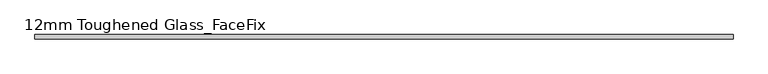
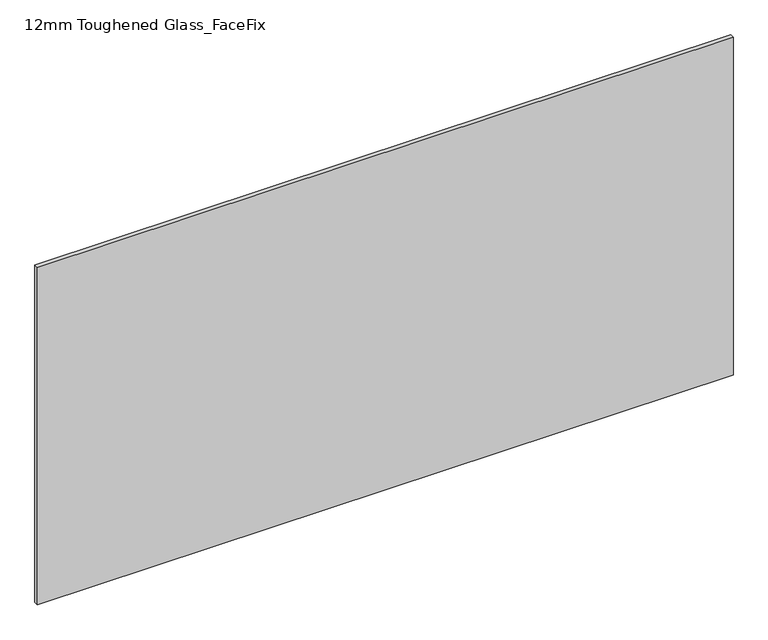
"""IFC4 building model written with IfcOpenShell, lengths in millimetres: plate geometry, 12mm Toughened Glass_FaceFix."""

from ifc_helpers import new_model, si_unit, origin, origin_with_axes, place, context, project, spatial, polyline, outline, extrude, source, transform, mapped, element, save


def plate_12mm_toughened_glass_facefix_7f77cc80(model_context):
    return source(origin(), model_context, "Body", "SweptSolid", [
        extrude(outline(polyline([(945.0000001, -26.0), (945.0000001, -38.0), (-945.0000001, -38.0), (-945.0000001, -26.0), (945.0000001, -26.0)])), origin_with_axes(), (0.0, 0.0, 1.0), 970.0),
    ])


if __name__ == "__main__":
    model = new_model("IFC4")
    model_context = context("Model", 3, world=origin())
    ifc_project = project(units=[si_unit("LENGTHUNIT", "METRE", prefix="MILLI")], contexts=[model_context])
    site = spatial("IfcSite", under=ifc_project)
    building = spatial("IfcBuilding", under=site)
    placement = place(None, origin())
    plate_12mm_toughened_glass_facefix_shape = plate_12mm_toughened_glass_facefix_7f77cc80(model_context)
    element("IfcPlate", 1, ObjectType="12mm Toughened Glass_FaceFix", at=placement, inside=building, context=model_context, shape_type="MappedRepresentation", body=[
        mapped(plate_12mm_toughened_glass_facefix_shape, transform((0.0, 0.0, 0.0), x_axis=(1.0, 0.0, 0.0), y_axis=(0.0, 1.0, 0.0), z_axis=(0.0, 0.0, 1.0))),
    ])
    save(model, "model.ifc")
